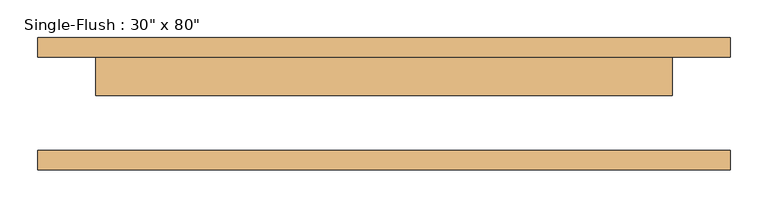
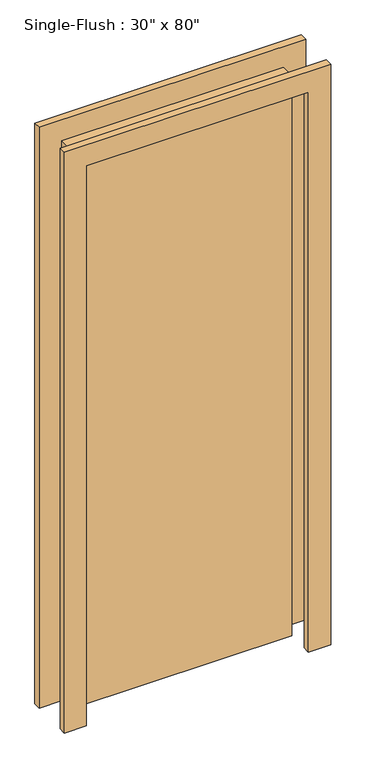
"""IFC4 building model written with IfcOpenShell, lengths in millimetres: door geometry."""

from ifc_helpers import new_model, si_unit, frame, origin, origin_with_axes, place, context, project, spatial, polyline, outline, extrude, source, transform, mapped, element, save


def door_39079f6b(model_context):
    return source(origin(), model_context, "Body", "SweptSolid", [
        extrude(outline(polyline([(2108.2, -457.2), (0.0, -457.2), (0.0, -381.0), (2032.0, -381.0), (2032.0, 381.0), (0.0, 381.0), (0.0, 457.2), (2108.2, 457.2), (2108.2, -457.2)])), frame((0.0, 61.9125, 0.0), z_axis=(0.0, 1.0, 0.0), x_axis=(0.0, 0.0, 1.0)), (0.0, 0.0, 1.0), 25.4),
        extrude(outline(polyline([(2108.2, 457.2), (2108.2, -457.2), (0.0, -457.2), (0.0, -381.0), (2032.0, -381.0), (2032.0, 381.0), (0.0, 381.0), (0.0, 457.2), (2108.2, 457.2)])), frame((0.0, -87.3125, 0.0), z_axis=(0.0, 1.0, 0.0), x_axis=(0.0, 0.0, 1.0)), (0.0, 0.0, 1.0), 25.4),
        extrude(outline(polyline([(381.0, 11.1125), (-381.0, 11.1125), (-381.0, 61.9125), (381.0, 61.9125), (381.0, 11.1125)])), origin_with_axes(), (0.0, 0.0, 1.0), 2032.0),
    ])


if __name__ == "__main__":
    model = new_model("IFC4")
    model_context = context("Model", 3, world=origin())
    ifc_project = project(units=[si_unit("LENGTHUNIT", "METRE", prefix="MILLI")], contexts=[model_context])
    site = spatial("IfcSite", under=ifc_project)
    building = spatial("IfcBuilding", under=site)
    placement = place(None, origin())
    door_shape = door_39079f6b(model_context)
    element("IfcDoor", 1, ObjectType="Single-Flush : 30\" x 80\"", at=placement, inside=building, context=model_context, shape_type="MappedRepresentation", body=[
        mapped(door_shape, transform((0.0, 0.0, 0.0), x_axis=(1.0, 0.0, 0.0), y_axis=(0.0, 1.0, 0.0), z_axis=(0.0, 0.0, 1.0))),
    ])
    save(model, "model.ifc")
